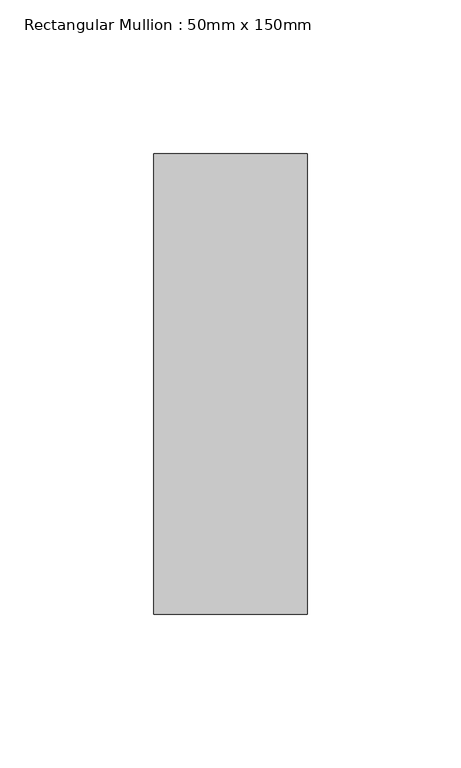
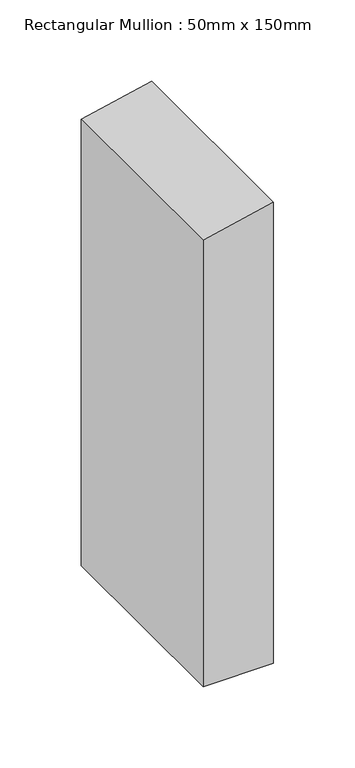
"""IFC4 building model written with IfcOpenShell, lengths in millimetres: member geometry, Rectangular Mullion : 50mm x 150mm."""

import ifcopenshell
import ifcopenshell.guid

model = None  # the IFC model being written
_history = None  # IfcOwnerHistory: only IFC2X3 demands one
_inside = {}  # id of a spatial element -> (the spatial element, [elements in it])
_under = {}  # id of a project, library or spatial element -> (it, [spatial elements below it])
_declared = {}  # id of a project -> (the project, [libraries it declares])
_typed = {}  # id of a type object -> (the type object, [elements of that type])
_made_of = {}  # id of a material, layer set ... -> (it, [elements and type objects made of it])


def new_model(schema):
    """Start an empty IFC model of exactly this schema.

    Asked for "IFC4X3", IfcOpenShell would pick the latest addendum, in which some entities
    have other attributes; the version numbers below select the first issue.
    IFC2X3 requires an IfcOwnerHistory on every rooted entity: one is made here for all.
    """
    global model, _history
    if schema == "IFC4X3":
        model = ifcopenshell.file(schema_version=(4, 3, 0, 0))
    else:
        model = ifcopenshell.file(schema=schema)
    _inside.clear()
    _under.clear()
    _declared.clear()
    _typed.clear()
    _made_of.clear()
    _history = None
    if model.schema == "IFC2X3":
        org = make("IfcOrganization", Name="unknown")
        user = make(
            "IfcPersonAndOrganization",
            ThePerson=make("IfcPerson", FamilyName="unknown"),
            TheOrganization=org,
        )
        app = make(
            "IfcApplication",
            ApplicationDeveloper=org,
            Version="unknown",
            ApplicationFullName="unknown",
            ApplicationIdentifier="unknown",
        )
        _history = make(
            "IfcOwnerHistory",
            OwningUser=user,
            OwningApplication=app,
            ChangeAction="ADDED",
            CreationDate=0,
        )
    return model


def make(cls, **values):
    """One entity of the class cls with the attributes given. An attribute that is None is left unset."""
    return model.create_entity(
        cls, **{name: value for name, value in values.items() if value is not None}
    )


def rooted(cls, **values):
    """An entity with a GlobalId (a new one), such as an element, a storey or a relation."""
    return make(cls, GlobalId=ifcopenshell.guid.new(), OwnerHistory=_history, **values)


def si_unit(unit_type, name, prefix=None):
    """IfcSIUnit, for example si_unit("LENGTHUNIT", "METRE", prefix="MILLI")."""
    return make("IfcSIUnit", UnitType=unit_type, Prefix=prefix, Name=name)


def assignment(units):
    """IfcUnitAssignment: the units of a project."""
    return None if units is None else make("IfcUnitAssignment", Units=units)


def point(xyz):
    """IfcCartesianPoint."""
    return None if xyz is None else make("IfcCartesianPoint", Coordinates=xyz)


def direction(xyz):
    """IfcDirection."""
    return None if xyz is None else make("IfcDirection", DirectionRatios=xyz)


def frame(location, z_axis=None, x_axis=None):
    """IfcAxis2Placement3D, a coordinate frame: its origin and axes. An axis left out is left unset."""
    return make(
        "IfcAxis2Placement3D",
        Location=point(location),
        Axis=direction(z_axis),
        RefDirection=direction(x_axis),
    )


def origin():
    """The frame at (0, 0, 0) with its axes left unset."""
    return frame((0.0, 0.0, 0.0))


def place(relative_to, where):
    """IfcLocalPlacement: puts the frame where relative to a parent placement (None: the world)."""
    return make(
        "IfcLocalPlacement", PlacementRelTo=relative_to, RelativePlacement=where
    )


def context(
    kind, dimensions, precision=None, world=None, true_north=None, identifier=None
):
    """IfcGeometricRepresentationContext, for example the 3D "Model" context."""
    return make(
        "IfcGeometricRepresentationContext",
        ContextIdentifier=identifier,
        ContextType=kind,
        CoordinateSpaceDimension=dimensions,
        Precision=precision,
        WorldCoordinateSystem=world,
        TrueNorth=true_north,
    )


def project(units=None, contexts=None):
    """IfcProject with its units and contexts."""
    return rooted(
        "IfcProject",
        Name="project",
        RepresentationContexts=contexts,
        UnitsInContext=assignment(units),
    )


def spatial(cls, under=None, at=None, **own):
    """A site, building, storey or space (cls), placed at a placement, below another one or the project."""
    s = rooted(cls, ObjectPlacement=at, **own)
    if under is not None:
        _under.setdefault(under.id(), (under, []))[1].append(s)
    return s


def polyline(points):
    """IfcPolyline through the points."""
    return make("IfcPolyline", Points=[point(p) for p in points])


def outline(outer, holes=None, kind="AREA"):
    """IfcArbitraryClosedProfileDef: a profile drawn as a closed curve; with holes, ...WithVoids."""
    if holes is None:
        return make("IfcArbitraryClosedProfileDef", ProfileType=kind, OuterCurve=outer)
    return make(
        "IfcArbitraryProfileDefWithVoids",
        ProfileType=kind,
        OuterCurve=outer,
        InnerCurves=holes,
    )


def extrude(swept, where, along, depth):
    """IfcExtrudedAreaSolid: the profile swept, set in the frame where, extruded along a direction by depth."""
    return make(
        "IfcExtrudedAreaSolid",
        SweptArea=swept,
        Position=where,
        ExtrudedDirection=direction(along),
        Depth=depth,
    )


def shape(context_of_items, identifier, shape_type, items):
    """IfcShapeRepresentation: the items that make up one representation, for example the "Body"."""
    return make(
        "IfcShapeRepresentation",
        ContextOfItems=context_of_items,
        RepresentationIdentifier=identifier,
        RepresentationType=shape_type,
        Items=items,
    )


def source(mapping_origin, context_of_items, identifier, shape_type, items):
    """IfcRepresentationMap: a shape defined once, which mapped items show again and again."""
    return make(
        "IfcRepresentationMap",
        MappingOrigin=mapping_origin,
        MappedRepresentation=shape(context_of_items, identifier, shape_type, items),
    )


def transform(
    local_origin,
    x_axis=None,
    y_axis=None,
    z_axis=None,
    scale=None,
    scale2=None,
    scale3=None,
    uniform=True,
):
    """IfcCartesianTransformationOperator3D, or its non-uniform kind. x_axis, y_axis, z_axis: its Axis1, 2, 3."""
    if uniform:
        return make(
            "IfcCartesianTransformationOperator3D",
            Axis1=direction(x_axis),
            Axis2=direction(y_axis),
            LocalOrigin=point(local_origin),
            Scale=scale,
            Axis3=direction(z_axis),
        )
    return make(
        "IfcCartesianTransformationOperator3DnonUniform",
        Axis1=direction(x_axis),
        Axis2=direction(y_axis),
        LocalOrigin=point(local_origin),
        Scale=scale,
        Axis3=direction(z_axis),
        Scale2=scale2,
        Scale3=scale3,
    )


def mapped(mapping_source, mapping_target):
    """IfcMappedItem: shows the shape of a source again, moved by a transform."""
    return make(
        "IfcMappedItem", MappingSource=mapping_source, MappingTarget=mapping_target
    )


def made_of(thing, what):
    """Note that an element or type object is made of a material, layer set ...; save() writes the relation."""
    if what is not None:
        _made_of.setdefault(what.id(), (what, []))[1].append(thing)
    return thing


def element(
    cls,
    number,
    at=None,
    inside=None,
    cuts=None,
    type_object=None,
    material=None,
    context=None,
    identifier="Body",
    shape_type=None,
    held_by="IfcProductDefinitionShape",
    body=None,
    shapes=None,
    **own,
):
    """One element of the class cls, such as IfcWall. Its Tag is "e" and its number.

    at: its placement. inside: the storey or other place that contains it. cuts: it is an
    opening in that element (IfcRelVoidsElement). A single representation is given by context,
    identifier, shape_type and body (its items); several are given by shapes. held_by: the class
    of the entity that holds the representations. save() writes the other relations.
    """
    e = rooted(cls, Tag="e%d" % number, ObjectPlacement=at, **own)
    if body is not None:
        shapes = [shape(context, identifier, shape_type, body)]
    if shapes is not None:
        e.Representation = make(held_by, Representations=shapes)
    if inside is not None:
        _inside.setdefault(inside.id(), (inside, []))[1].append(e)
    if cuts is not None:
        rooted(
            "IfcRelVoidsElement", RelatingBuildingElement=cuts, RelatedOpeningElement=e
        )
    if type_object is not None:
        _typed.setdefault(type_object.id(), (type_object, []))[1].append(e)
    return made_of(e, material)


def aggregate(whole, parts):
    """IfcRelAggregates: a whole, such as a stair, and the parts it consists of."""
    return rooted("IfcRelAggregates", RelatingObject=whole, RelatedObjects=parts)


def save(model, path):
    """Write the relations noted so far, then the file.

    IfcRelAggregates (storeys below a building ...), IfcRelContainedInSpatialStructure (elements
    in a storey), IfcRelDefinesByType, IfcRelAssociatesMaterial and IfcRelDeclares: one each for
    every whole, place, type object, material and project.
    """
    for whole, parts in _under.values():
        aggregate(whole, parts)
    for where, things in _inside.values():
        rooted(
            "IfcRelContainedInSpatialStructure",
            RelatedElements=things,
            RelatingStructure=where,
        )
    for kind, things in _typed.values():
        rooted("IfcRelDefinesByType", RelatedObjects=things, RelatingType=kind)
    for what, things in _made_of.values():
        rooted("IfcRelAssociatesMaterial", RelatedObjects=things, RelatingMaterial=what)
    for by, libraries in _declared.values():
        rooted("IfcRelDeclares", RelatingContext=by, RelatedDefinitions=libraries)
    model.write(path)


def rectangular_mullion_50mm_x_150mm_78619188(model_context):
    return source(origin(), model_context, "Body", "SweptSolid", [
        extrude(outline(polyline([(0.0, 0.0), (-11.032832, -50.0), (-346.4089145, -50.0), (-346.4089145, 0.0), (0.0, 0.0)])), frame((0.0, -75.0, 0.0), z_axis=(0.0, 1.0, 0.0), x_axis=(0.0, 0.0, 1.0)), (0.0, 0.0, 1.0), 150.0),
    ])


if __name__ == "__main__":
    model = new_model("IFC4")
    model_context = context("Model", 3, world=origin())
    ifc_project = project(units=[si_unit("LENGTHUNIT", "METRE", prefix="MILLI")], contexts=[model_context])
    site = spatial("IfcSite", under=ifc_project)
    building = spatial("IfcBuilding", under=site)
    placement = place(None, origin())
    rectangular_mullion_50mm_x_150mm_shape = rectangular_mullion_50mm_x_150mm_78619188(model_context)
    element("IfcMember", 1, ObjectType="Rectangular Mullion : 50mm x 150mm", at=placement, inside=building, context=model_context, shape_type="MappedRepresentation", body=[
        mapped(rectangular_mullion_50mm_x_150mm_shape, transform((0.0, 0.0, 0.0), x_axis=(1.0, 0.0, 0.0), y_axis=(0.0, 1.0, 0.0), z_axis=(0.0, 0.0, 1.0))),
    ])
    save(model, "model.ifc")
